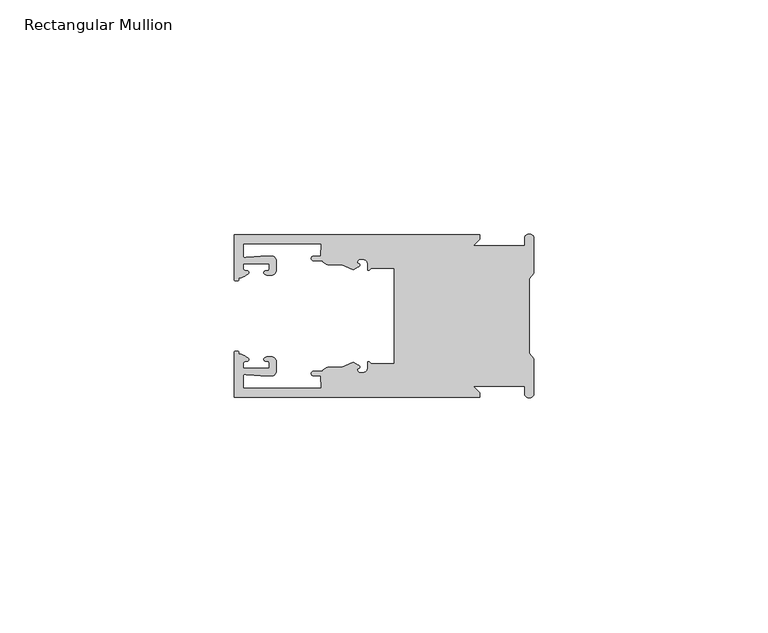
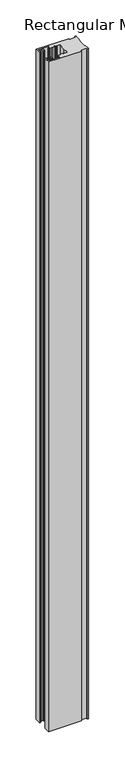
"""IFC4 building model written with IfcOpenShell, lengths in millimetres: member geometry, Rectangular Mullion."""

from ifc_helpers import new_model, si_unit, frame, origin, place, context, project, spatial, polyline, circle_curve, source, transform, mapped, element, save
from ifc_brep_helpers import plane_surface, cylinder_surface, revolved_surface, extruded_surface, spline_curve, advanced_brep


def rectangular_mullion_fe0c705e(model_context):
    return source(origin(), model_context, "Body", "AdvancedBrep", [
        advanced_brep(
        [(-11.5387897, 17.4000478, 0.0), (-64.0387868, 17.4000478, 0.0), (-64.0387868, 7.8350057, 0.0), (-63.2884687, 7.5412947, 0.0), (-62.4614154, 8.1921895, 0.0), (-62.0410649, 9.9426451, 0.0), (-62.0424168, 11.1926444, 0.0), (-56.54242, 11.1985924, 0.0), (-56.5410682, 9.9485931, 0.0), (-57.1085345, 8.7314723, 0.0), (-56.0397166, 8.6991345, 0.0), (-55.0407987, 9.7002154, 0.0), (-55.0430697, 11.8002142, 0.0), (-56.0446364, 12.7991315, 0.0), (-58.3650753, 12.7954945, 0.0), (-61.1340054, 12.5502269, 0.0), (-62.044093, 12.7426435, 0.0), (-62.0469668, 15.4000478, 0.0), (-45.4240312, 15.4000478, 0.0), (-45.5732135, 12.8000478, 0.0), (-47.0387868, 12.8000478, 0.0), (-47.0387868, 11.8000478, 0.0), (-45.2543363, 11.8000478, 0.0), (-43.6387868, 10.9000478, 0.0), (-41.0454034, 10.9000478, 0.0), (-38.5697136, 9.8718293, 0.0), (-37.5387868, 10.4670351, 0.0), (-37.6803436, 11.4201497, 0.0), (-37.0270763, 12.1583697, 0.0), (-36.2010815, 12.0127245, 0.0), (-35.54, 11.2248783, 0.0), (-35.54, 10.0, 0.0), (-34.7705791, 10.25, 0.0), (-29.79, 10.25, 0.0), (-29.79, 0.0, 0.0), (-29.79, -10.25, 0.0), (-34.7705791, -10.25, 0.0), (-35.54, -10.0, 0.0), (-35.54, -11.2248783, 0.0), (-36.2010815, -12.0127245, 0.0), (-37.0270763, -12.1583697, 0.0), (-37.6803436, -11.4201497, 0.0), (-37.5387868, -10.4670351, 0.0), (-38.5697136, -9.8718293, 0.0), (-41.0454034, -10.9000478, 0.0), (-43.6387868, -10.9000478, 0.0), (-45.2543363, -11.8000478, 0.0), (-47.0387868, -11.8000478, 0.0), (-47.0387868, -12.8000478, 0.0), (-45.5732135, -12.8000478, 0.0), (-45.4240312, -15.4000478, 0.0), (-62.0469668, -15.4000478, 0.0), (-62.044093, -12.7426435, 0.0), (-61.1340054, -12.5502269, 0.0), (-58.3650753, -12.7954945, 0.0), (-56.0446364, -12.7991314, 0.0), (-55.0430697, -11.8002142, 0.0), (-55.0407987, -9.7002154, 0.0), (-56.0397166, -8.6991345, 0.0), (-57.1085345, -8.7314723, 0.0), (-56.5410682, -9.9485931, 0.0), (-56.54242, -11.1985924, 0.0), (-62.0424168, -11.1926444, 0.0), (-62.0410649, -9.9426451, 0.0), (-62.4614154, -8.1921895, 0.0), (-63.2884687, -7.5412947, 0.0), (-64.0387868, -7.8350057, 0.0), (-64.0387868, -17.4000478, 0.0), (-11.5387897, -17.4000478, 0.0), (-11.5387897, -16.4000449, 0.0), (-12.9388346, -15.0, 0.0), (-2.0, -15.0, 0.0), (-2.0, -16.5, 0.0), (0.0, -16.5, 0.0), (0.0, -9.1160254, 0.0), (-1.0, -7.9613249, 0.0), (-1.0, 0.0, 0.0), (-1.0, 7.9613249, 0.0), (0.0, 9.1160254, 0.0), (0.0, 16.5, 0.0), (-2.0, 16.5, 0.0), (-2.0, 15.0, 0.0), (-12.9388346, 15.0, 0.0), (-11.5387897, 16.4000449, 0.0), (-11.5387897, 17.4000478, -1130.8387868), (-11.5387897, 16.4000449, -1130.8387868), (-12.9388346, 15.0, -1130.8387868), (-2.0, 15.0, -1130.8387868), (-2.0, 16.5, -1130.8387868), (0.0, 16.5, -1130.8387868), (0.0, 9.1160254, -1130.8387868), (-1.0, 7.9613249, -1130.8387868), (-1.0, 0.0, -1130.8387868), (-1.0, -7.9613249, -1130.8387868), (0.0, -9.1160254, -1130.8387868), (0.0, -16.5, -1130.8387868), (-2.0, -16.5, -1130.8387868), (-2.0, -15.0, -1130.8387868), (-12.9388346, -15.0, -1130.8387868), (-11.5387897, -16.4000449, -1130.8387868), (-11.5387897, -17.4000478, -1130.8387868), (-64.0387868, -17.4000478, -1130.8387868), (-64.0387868, -7.8350057, -1130.8387868), (-63.2884687, -7.5412947, -1130.8387868), (-62.4614154, -8.1921895, -1130.8387868), (-62.0410649, -9.9426451, -1130.8387868), (-62.0424168, -11.1926444, -1130.8387868), (-56.54242, -11.1985924, -1130.8387868), (-56.5410682, -9.9485931, -1130.8387868), (-57.1085345, -8.7314723, -1130.8387868), (-56.0397166, -8.6991345, -1130.8387868), (-55.0407987, -9.7002154, -1130.8387868), (-55.0430697, -11.8002142, -1130.8387868), (-56.0446364, -12.7991315, -1130.8387868), (-58.3650753, -12.7954945, -1130.8387868), (-61.1340054, -12.5502269, -1130.8387868), (-62.044093, -12.7426435, -1130.8387868), (-62.0469668, -15.4000478, -1130.8387868), (-45.4240312, -15.4000478, -1130.8387868), (-45.5732135, -12.8000478, -1130.8387868), (-47.0387868, -12.8000478, -1130.8387868), (-47.0387868, -11.8000478, -1130.8387868), (-45.2543363, -11.8000478, -1130.8387868), (-43.6387868, -10.9000478, -1130.8387868), (-41.0454034, -10.9000478, -1130.8387868), (-38.5697136, -9.8718293, -1130.8387868), (-37.5387868, -10.4670351, -1130.8387868), (-37.6803436, -11.4201497, -1130.8387868), (-37.0270763, -12.1583697, -1130.8387868), (-36.2010815, -12.0127245, -1130.8387868), (-35.54, -11.2248783, -1130.8387868), (-35.54, -10.0, -1130.8387868), (-34.7705791, -10.25, -1130.8387868), (-29.79, -10.25, -1130.8387868), (-29.79, 0.0, -1130.8387868), (-29.79, 10.25, -1130.8387868), (-34.7705791, 10.25, -1130.8387868), (-35.54, 10.0, -1130.8387868), (-35.54, 11.2248783, -1130.8387868), (-36.2010815, 12.0127245, -1130.8387868), (-37.0270763, 12.1583697, -1130.8387868), (-37.6803436, 11.4201497, -1130.8387868), (-37.5387868, 10.4670351, -1130.8387868), (-38.5697136, 9.8718293, -1130.8387868), (-41.0454034, 10.9000478, -1130.8387868), (-43.6387868, 10.9000478, -1130.8387868), (-45.2543363, 11.8000478, -1130.8387868), (-47.0387868, 11.8000478, -1130.8387868), (-47.0387868, 12.8000478, -1130.8387868), (-45.5732135, 12.8000478, -1130.8387868), (-45.4240312, 15.4000478, -1130.8387868), (-62.0469668, 15.4000478, -1130.8387868), (-62.044093, 12.7426435, -1130.8387868), (-61.1340054, 12.5502269, -1130.8387868), (-58.3650753, 12.7954945, -1130.8387868), (-56.0446364, 12.7991314, -1130.8387868), (-55.0430697, 11.8002142, -1130.8387868), (-55.0407987, 9.7002154, -1130.8387868), (-56.0397166, 8.6991345, -1130.8387868), (-57.1085345, 8.7314723, -1130.8387868), (-56.5410682, 9.9485931, -1130.8387868), (-56.54242, 11.1985924, -1130.8387868), (-62.0424168, 11.1926444, -1130.8387868), (-62.0410649, 9.9426451, -1130.8387868), (-62.4614154, 8.1921895, -1130.8387868), (-63.2884687, 7.5412947, -1130.8387868), (-64.0387868, 7.8350057, -1130.8387868), (-64.0387868, 17.4000478, -1130.8387868)],
        [
            (0, 1),
            (1, 2),
            (2, 3, spline_curve(3, [(-64.0387868, 7.8350057, 0.0), (-64.038491377, 7.561831774, 0.0), (-63.788385325, 7.463928087, 0.0), (-63.2884687, 7.5412947, 0.0)], [4, 4], [0.0, 0.0019169337574178654])),
            (3, 4, spline_curve(3, [(-63.2884687, 7.5412947, 0.0), (-63.057760917, 7.582232011, 0.0), (-63.018445067, 7.725390894, 0.0), (-63.019925494, 8.056436881, 0.0), (-63.103444208, 8.236386866, 0.0), (-62.4614154, 8.1921895, 0.0)], [4, 2, 4], [0.0, 0.0010199524164107188, 0.0024874514725970356])),
            (4, 5, spline_curve(3, [(-62.4614154, 8.1921895, 0.0), (-60.988497673, 8.880962536, 0.0), (-60.794045122, 9.192776957, 0.0), (-60.949808078, 9.57023562, 0.0), (-61.145214014, 9.682771697, 0.0), (-61.665835706, 9.714019003, 0.0), (-61.965242574, 9.660891484, 0.0), (-62.0410649, 9.9426451, 0.0)], [4, 2, 2, 4], [0.0, 0.003269869179570428, 0.005490050486237203, 0.0073545767114364426])),
            (5, 6),
            (6, 7),
            (7, 8),
            (8, 9, spline_curve(3, [(-56.5410682, 9.9485931, 0.0), (-56.634838635, 9.597117104, 0.0), (-56.904956774, 9.698238818, 0.0), (-57.324171444, 9.731086209, 0.0), (-57.45969165, 9.646199885, 0.0), (-57.729003352, 9.346016011, 0.0), (-57.859492582, 9.113082158, 0.0), (-57.1085345, 8.7314723, 0.0)], [4, 2, 2, 4], [0.0, 0.001593963049934732, 0.0033360256320283306, 0.005339140673503943])),
            (9, 10),
            (10, 11, circle_curve(frame((-56.0407981, 9.699134, 0.0), z_axis=(0.0, 0.0, 1.0), x_axis=(0.0010814451158627505, -0.9999994152380598, 0.0)), 1.0)),
            (11, 12),
            (12, 13, circle_curve(frame((-56.0430691, 11.7991327, 0.0), z_axis=(0.0, 0.0, 1.0), x_axis=(0.0010814451158627505, -0.9999994152380598, 0.0)), 1.0)),
            (13, 14),
            (14, 15),
            (15, 16, spline_curve(3, [(-61.1340054, 12.5502269, 0.0), (-61.605485428, 12.508463911, 0.0), (-61.992111419, 12.303164326, 0.0), (-62.044093, 12.7426435, 0.0)], [4, 4], [0.0, 0.0014803385355886016])),
            (16, 17),
            (17, 18),
            (18, 19),
            (19, 20),
            (20, 21, circle_curve(frame((-47.0387868, 12.3000478, 0.0), z_axis=(0.0, 0.0, 1.0), x_axis=(0.0, -1.0, 0.0)), 0.5)),
            (21, 22),
            (22, 23, circle_curve(frame((-43.6387868, 12.8000478, 0.0), z_axis=(0.0, 0.0, 1.0), x_axis=(0.0, -1.0, 0.0)), 1.9)),
            (23, 24),
            (24, 25),
            (25, 26),
            (26, 27, spline_curve(3, [(-37.5387868, 10.4670351, 0.0), (-36.973919853, 10.833863985, 0.0), (-37.198159645, 11.135696286, 0.0), (-37.587892011, 11.260246073, 0.0), (-37.754584192, 11.180452419, 0.0), (-37.6803436, 11.4201497, 0.0)], [4, 2, 4], [0.0, 0.0019283703160353726, 0.003394584635652914])),
            (27, 28, circle_curve(frame((-37.0434863, 11.5147359, 0.0), z_axis=(0.0, 0.0, -1.0), x_axis=(0.0, -1.0, 0.0)), 0.643843)),
            (28, 29),
            (29, 30, circle_curve(frame((-36.34, 11.2248783, 0.0), z_axis=(0.0, 0.0, -1.0), x_axis=(0.0, -1.0, 0.0)), 0.8)),
            (30, 31),
            (31, 32, spline_curve(3, [(-35.54, 10.0, 0.0), (-35.440000238, 9.598293201, 0.0), (-35.183526594, 9.681626535, 0.0), (-34.7705791, 10.25, 0.0)], [4, 4], [0.0, 0.0027473296990141553])),
            (32, 33),
            (33, 34),
            (34, 35),
            (35, 36),
            (36, 37, spline_curve(3, [(-34.7705791, -10.25, 0.0), (-35.183526594, -9.681626535, 0.0), (-35.440000238, -9.598293201, 0.0), (-35.54, -10.0, 0.0)], [4, 4], [0.0, 0.0027473296990141553])),
            (37, 38),
            (38, 39, circle_curve(frame((-36.34, -11.2248783, 0.0), z_axis=(0.0, 0.0, -1.0), x_axis=(0.0, 1.0, 0.0)), 0.8)),
            (39, 40),
            (40, 41, circle_curve(frame((-37.0434863, -11.5147359, 0.0), z_axis=(0.0, 0.0, -1.0), x_axis=(0.0, 1.0, 0.0)), 0.643843)),
            (41, 42, spline_curve(3, [(-37.6803436, -11.4201497, 0.0), (-37.754584192, -11.180452419, 0.0), (-37.587892011, -11.260246073, 0.0), (-37.198159645, -11.135696286, 0.0), (-36.973919853, -10.833863985, 0.0), (-37.5387868, -10.4670351, 0.0)], [4, 2, 4], [0.0, 0.0014662143196175414, 0.003394584635652914])),
            (42, 43),
            (43, 44),
            (44, 45),
            (45, 46, circle_curve(frame((-43.6387868, -12.8000478, 0.0), z_axis=(0.0, 0.0, 1.0), x_axis=(0.0, 1.0, 0.0)), 1.9)),
            (46, 47),
            (47, 48, circle_curve(frame((-47.0387868, -12.3000478, 0.0), z_axis=(0.0, 0.0, 1.0), x_axis=(0.0, 1.0, 0.0)), 0.5)),
            (48, 49),
            (49, 50),
            (50, 51),
            (51, 52),
            (52, 53, spline_curve(3, [(-62.044093, -12.7426435, 0.0), (-61.992111419, -12.303164326, 0.0), (-61.605485428, -12.508463911, 0.0), (-61.1340054, -12.5502269, 0.0)], [4, 4], [0.0, 0.0014803385355886016])),
            (53, 54),
            (54, 55),
            (55, 56, circle_curve(frame((-56.0430691, -11.7991327, 0.0), z_axis=(0.0, 0.0, 1.0), x_axis=(0.001081445115855867, 0.9999994152380598, 0.0)), 1.0)),
            (56, 57),
            (57, 58, circle_curve(frame((-56.0407981, -9.699134, 0.0), z_axis=(0.0, 0.0, 1.0), x_axis=(0.001081445115855867, 0.9999994152380598, 0.0)), 1.0)),
            (58, 59),
            (59, 60, spline_curve(3, [(-57.1085345, -8.7314723, 0.0), (-57.859492582, -9.113082158, 0.0), (-57.729003352, -9.346016011, 0.0), (-57.45969165, -9.646199885, 0.0), (-57.324171444, -9.731086209, 0.0), (-56.904956774, -9.698238818, 0.0), (-56.634838635, -9.597117104, 0.0), (-56.5410682, -9.9485931, 0.0)], [4, 2, 2, 4], [0.0, 0.002003115041475612, 0.0037451776235692107, 0.005339140673503943])),
            (60, 61),
            (61, 62),
            (62, 63),
            (63, 64, spline_curve(3, [(-62.0410649, -9.9426451, 0.0), (-61.965242574, -9.660891484, 0.0), (-61.665835706, -9.714019003, 0.0), (-61.145214014, -9.682771697, 0.0), (-60.949808078, -9.57023562, 0.0), (-60.794045122, -9.192776957, 0.0), (-60.988497673, -8.880962536, 0.0), (-62.4614154, -8.1921895, 0.0)], [4, 2, 2, 4], [0.0, 0.0018645262251992395, 0.004084707531866015, 0.0073545767114364426])),
            (64, 65, spline_curve(3, [(-62.4614154, -8.1921895, 0.0), (-63.103444208, -8.236386866, 0.0), (-63.019925494, -8.056436881, 0.0), (-63.018445067, -7.725390894, 0.0), (-63.057760917, -7.582232011, 0.0), (-63.2884687, -7.5412947, 0.0)], [4, 2, 4], [0.0, 0.0014674990561863168, 0.0024874514725970356])),
            (65, 66, spline_curve(3, [(-63.2884687, -7.5412947, 0.0), (-63.788385325, -7.463928087, 0.0), (-64.038491377, -7.561831774, 0.0), (-64.0387868, -7.8350057, 0.0)], [4, 4], [0.0, 0.0019169337574178654])),
            (66, 67),
            (67, 68),
            (68, 69),
            (69, 70),
            (70, 71),
            (71, 72),
            (72, 73, circle_curve(frame((-1.0, -16.5, 0.0), z_axis=(0.0, 0.0, 1.0), x_axis=(0.0, 1.0, 0.0)), 1.0)),
            (73, 74),
            (74, 75),
            (75, 76),
            (76, 77),
            (77, 78),
            (78, 79),
            (79, 80, circle_curve(frame((-1.0, 16.5, 0.0), z_axis=(0.0, 0.0, 1.0), x_axis=(0.0, -1.0, 0.0)), 1.0)),
            (80, 81),
            (81, 82),
            (82, 83),
            (83, 0),
            (84, 85),
            (85, 86),
            (86, 87),
            (87, 88),
            (88, 89, circle_curve(frame((-1.0, 16.5, -1130.8387868), z_axis=(0.0, 0.0, -1.0), x_axis=(0.0, -1.0, 0.0)), 1.0)),
            (89, 90),
            (90, 91),
            (91, 92),
            (92, 93),
            (93, 94),
            (94, 95),
            (95, 96, circle_curve(frame((-1.0, -16.5, -1130.8387868), z_axis=(0.0, 0.0, -1.0), x_axis=(0.0, 1.0, 0.0)), 1.0)),
            (96, 97),
            (97, 98),
            (98, 99),
            (99, 100),
            (100, 101),
            (101, 102),
            (102, 103, spline_curve(3, [(-64.0387868, -7.8350057, -1130.8387868), (-64.038491377, -7.561831774, -1130.8387868), (-63.788385325, -7.463928087, -1130.8387868), (-63.2884687, -7.5412947, -1130.8387868)], [4, 4], [0.0, 0.0019169337574178654])),
            (103, 104, spline_curve(3, [(-63.2884687, -7.5412947, -1130.8387868), (-63.057760917, -7.582232011, -1130.8387868), (-63.018445067, -7.725390894, -1130.8387868), (-63.019925494, -8.056436881, -1130.8387868), (-63.103444208, -8.236386866, -1130.8387868), (-62.4614154, -8.1921895, -1130.8387868)], [4, 2, 4], [0.0, 0.0010199524164107188, 0.0024874514725970356])),
            (104, 105, spline_curve(3, [(-62.4614154, -8.1921895, -1130.8387868), (-60.988497673, -8.880962536, -1130.8387868), (-60.794045122, -9.192776957, -1130.8387868), (-60.949808078, -9.57023562, -1130.8387868), (-61.145214014, -9.682771697, -1130.8387868), (-61.665835706, -9.714019003, -1130.8387868), (-61.965242574, -9.660891484, -1130.8387868), (-62.0410649, -9.9426451, -1130.8387868)], [4, 2, 2, 4], [0.0, 0.003269869179570428, 0.005490050486237203, 0.0073545767114364426])),
            (105, 106),
            (106, 107),
            (107, 108),
            (108, 109, spline_curve(3, [(-56.5410682, -9.9485931, -1130.8387868), (-56.634838635, -9.597117104, -1130.8387868), (-56.904956774, -9.698238818, -1130.8387868), (-57.324171444, -9.731086209, -1130.8387868), (-57.45969165, -9.646199885, -1130.8387868), (-57.729003352, -9.346016011, -1130.8387868), (-57.859492582, -9.113082158, -1130.8387868), (-57.1085345, -8.7314723, -1130.8387868)], [4, 2, 2, 4], [0.0, 0.001593963049934732, 0.0033360256320283306, 0.005339140673503943])),
            (109, 110),
            (110, 111, circle_curve(frame((-56.0407981, -9.699134, -1130.8387868), z_axis=(0.0, 0.0, -1.0), x_axis=(0.001081445115855867, 0.9999994152380598, 0.0)), 1.0)),
            (111, 112),
            (112, 113, circle_curve(frame((-56.0430691, -11.7991327, -1130.8387868), z_axis=(0.0, 0.0, -1.0), x_axis=(0.001081445115855867, 0.9999994152380598, 0.0)), 1.0)),
            (113, 114),
            (114, 115),
            (115, 116, spline_curve(3, [(-61.1340054, -12.5502269, -1130.8387868), (-61.605485428, -12.508463911, -1130.8387868), (-61.992111419, -12.303164326, -1130.8387868), (-62.044093, -12.7426435, -1130.8387868)], [4, 4], [0.0, 0.0014803385355886016])),
            (116, 117),
            (117, 118),
            (118, 119),
            (119, 120),
            (120, 121, circle_curve(frame((-47.0387868, -12.3000478, -1130.8387868), z_axis=(0.0, 0.0, -1.0), x_axis=(0.0, 1.0, 0.0)), 0.5)),
            (121, 122),
            (122, 123, circle_curve(frame((-43.6387868, -12.8000478, -1130.8387868), z_axis=(0.0, 0.0, -1.0), x_axis=(0.0, 1.0, 0.0)), 1.9)),
            (123, 124),
            (124, 125),
            (125, 126),
            (126, 127, spline_curve(3, [(-37.5387868, -10.4670351, -1130.8387868), (-36.973919853, -10.833863985, -1130.8387868), (-37.198159645, -11.135696286, -1130.8387868), (-37.587892011, -11.260246073, -1130.8387868), (-37.754584192, -11.180452419, -1130.8387868), (-37.6803436, -11.4201497, -1130.8387868)], [4, 2, 4], [0.0, 0.0019283703160353726, 0.003394584635652914])),
            (127, 128, circle_curve(frame((-37.0434863, -11.5147359, -1130.8387868), z_axis=(0.0, 0.0, 1.0), x_axis=(0.0, 1.0, 0.0)), 0.643843)),
            (128, 129),
            (129, 130, circle_curve(frame((-36.34, -11.2248783, -1130.8387868), z_axis=(0.0, 0.0, 1.0), x_axis=(0.0, 1.0, 0.0)), 0.8)),
            (130, 131),
            (131, 132, spline_curve(3, [(-35.54, -10.0, -1130.8387868), (-35.440000238, -9.598293201, -1130.8387868), (-35.183526594, -9.681626535, -1130.8387868), (-34.7705791, -10.25, -1130.8387868)], [4, 4], [0.0, 0.0027473296990141553])),
            (132, 133),
            (133, 134),
            (134, 135),
            (135, 136),
            (136, 137, spline_curve(3, [(-34.7705791, 10.25, -1130.8387868), (-35.183526594, 9.681626535, -1130.8387868), (-35.440000238, 9.598293201, -1130.8387868), (-35.54, 10.0, -1130.8387868)], [4, 4], [0.0, 0.0027473296990141553])),
            (137, 138),
            (138, 139, circle_curve(frame((-36.34, 11.2248783, -1130.8387868), z_axis=(0.0, 0.0, 1.0), x_axis=(0.0, -1.0, 0.0)), 0.8)),
            (139, 140),
            (140, 141, circle_curve(frame((-37.0434863, 11.5147359, -1130.8387868), z_axis=(0.0, 0.0, 1.0), x_axis=(0.0, -1.0, 0.0)), 0.643843)),
            (141, 142, spline_curve(3, [(-37.6803436, 11.4201497, -1130.8387868), (-37.754584192, 11.180452419, -1130.8387868), (-37.587892011, 11.260246073, -1130.8387868), (-37.198159645, 11.135696286, -1130.8387868), (-36.973919853, 10.833863985, -1130.8387868), (-37.5387868, 10.4670351, -1130.8387868)], [4, 2, 4], [0.0, 0.0014662143196175414, 0.003394584635652914])),
            (142, 143),
            (143, 144),
            (144, 145),
            (145, 146, circle_curve(frame((-43.6387868, 12.8000478, -1130.8387868), z_axis=(0.0, 0.0, -1.0), x_axis=(0.0, -1.0, 0.0)), 1.9)),
            (146, 147),
            (147, 148, circle_curve(frame((-47.0387868, 12.3000478, -1130.8387868), z_axis=(0.0, 0.0, -1.0), x_axis=(0.0, -1.0, 0.0)), 0.5)),
            (148, 149),
            (149, 150),
            (150, 151),
            (151, 152),
            (152, 153, spline_curve(3, [(-62.044093, 12.7426435, -1130.8387868), (-61.992111419, 12.303164326, -1130.8387868), (-61.605485428, 12.508463911, -1130.8387868), (-61.1340054, 12.5502269, -1130.8387868)], [4, 4], [0.0, 0.0014803385355886016])),
            (153, 154),
            (154, 155),
            (155, 156, circle_curve(frame((-56.0430691, 11.7991327, -1130.8387868), z_axis=(0.0, 0.0, -1.0), x_axis=(0.0010814451158627505, -0.9999994152380598, 0.0)), 1.0)),
            (156, 157),
            (157, 158, circle_curve(frame((-56.0407981, 9.699134, -1130.8387868), z_axis=(0.0, 0.0, -1.0), x_axis=(0.0010814451158627505, -0.9999994152380598, 0.0)), 1.0)),
            (158, 159),
            (159, 160, spline_curve(3, [(-57.1085345, 8.7314723, -1130.8387868), (-57.859492582, 9.113082158, -1130.8387868), (-57.729003352, 9.346016011, -1130.8387868), (-57.45969165, 9.646199885, -1130.8387868), (-57.324171444, 9.731086209, -1130.8387868), (-56.904956774, 9.698238818, -1130.8387868), (-56.634838635, 9.597117104, -1130.8387868), (-56.5410682, 9.9485931, -1130.8387868)], [4, 2, 2, 4], [0.0, 0.002003115041475612, 0.0037451776235692107, 0.005339140673503943])),
            (160, 161),
            (161, 162),
            (162, 163),
            (163, 164, spline_curve(3, [(-62.0410649, 9.9426451, -1130.8387868), (-61.965242574, 9.660891484, -1130.8387868), (-61.665835706, 9.714019003, -1130.8387868), (-61.145214014, 9.682771697, -1130.8387868), (-60.949808078, 9.57023562, -1130.8387868), (-60.794045122, 9.192776957, -1130.8387868), (-60.988497673, 8.880962536, -1130.8387868), (-62.4614154, 8.1921895, -1130.8387868)], [4, 2, 2, 4], [0.0, 0.0018645262251992395, 0.004084707531866015, 0.0073545767114364426])),
            (164, 165, spline_curve(3, [(-62.4614154, 8.1921895, -1130.8387868), (-63.103444208, 8.236386866, -1130.8387868), (-63.019925494, 8.056436881, -1130.8387868), (-63.018445067, 7.725390894, -1130.8387868), (-63.057760917, 7.582232011, -1130.8387868), (-63.2884687, 7.5412947, -1130.8387868)], [4, 2, 4], [0.0, 0.0014674990561863168, 0.0024874514725970356])),
            (165, 166, spline_curve(3, [(-63.2884687, 7.5412947, -1130.8387868), (-63.788385325, 7.463928087, -1130.8387868), (-64.038491377, 7.561831774, -1130.8387868), (-64.0387868, 7.8350057, -1130.8387868)], [4, 4], [0.0, 0.0019169337574178654])),
            (166, 167),
            (167, 84),
            (0, 84),
            (167, 1),
            (166, 2),
            (165, 3),
            (164, 4),
            (163, 5),
            (162, 6),
            (161, 7),
            (160, 8),
            (159, 9),
            (158, 10),
            (157, 11),
            (156, 12),
            (155, 13),
            (154, 14),
            (153, 15),
            (152, 16),
            (151, 17),
            (150, 18),
            (149, 19),
            (148, 20),
            (147, 21),
            (146, 22),
            (145, 23),
            (144, 24),
            (143, 25),
            (142, 26),
            (141, 27),
            (140, 28),
            (139, 29),
            (138, 30),
            (137, 31),
            (136, 32),
            (135, 33),
            (134, 34),
            (133, 35),
            (132, 36),
            (131, 37),
            (130, 38),
            (129, 39),
            (128, 40),
            (127, 41),
            (126, 42),
            (125, 43),
            (124, 44),
            (123, 45),
            (122, 46),
            (121, 47),
            (120, 48),
            (119, 49),
            (118, 50),
            (117, 51),
            (116, 52),
            (115, 53),
            (114, 54),
            (113, 55),
            (112, 56),
            (111, 57),
            (110, 58),
            (109, 59),
            (108, 60),
            (107, 61),
            (106, 62),
            (105, 63),
            (104, 64),
            (103, 65),
            (102, 66),
            (101, 67),
            (100, 68),
            (99, 69),
            (98, 70),
            (97, 71),
            (96, 72),
            (95, 73),
            (94, 74),
            (93, 75),
            (92, 76),
            (91, 77),
            (90, 78),
            (89, 79),
            (88, 80),
            (87, 81),
            (86, 82),
            (85, 83),
        ],
        [
            plane_surface(frame((0.0, -66.3605898, 0.0), z_axis=(0.0, 0.0, 1.0), x_axis=(-1.0, 0.0, 0.0))),
            plane_surface(frame((0.0, -66.3605898, -1130.8387868), z_axis=(0.0, 0.0, -1.0), x_axis=(-1.0, 0.0, 0.0))),
            plane_surface(frame((-11.5387897, 17.4000478, 0.0), z_axis=(0.0, 1.0, 0.0), x_axis=(0.0, 0.0, -1.0))),
            plane_surface(frame((-64.0387868, 17.4000478, 0.0), z_axis=(-1.0, 0.0, 0.0), x_axis=(0.0, 0.0, -1.0))),
            extruded_surface(spline_curve(3, [(-64.0387868, 7.8350057, -1130.8387868), (-64.038491377, 7.561831774, -1130.8387868), (-63.788385325, 7.463928087, -1130.8387868), (-63.2884687, 7.5412947, -1130.8387868)], [4, 4], [0.0, 0.0019169337574178654]), (0.0, 0.0, 1130.8387868), 1130.8387868),
            extruded_surface(spline_curve(3, [(-63.2884687, 7.5412947, -1130.8387868), (-63.057760917, 7.582232011, -1130.8387868), (-63.018445067, 7.725390894, -1130.8387868), (-63.019925494, 8.056436881, -1130.8387868), (-63.103444208, 8.236386866, -1130.8387868), (-62.4614154, 8.1921895, -1130.8387868)], [4, 2, 4], [0.0, 0.0010199524164107188, 0.0024874514725970356]), (0.0, 0.0, 1130.8387868), 1130.8387868),
            extruded_surface(spline_curve(3, [(-62.4614154, 8.1921895, -1130.8387868), (-60.988497673, 8.880962536, -1130.8387868), (-60.794045122, 9.192776957, -1130.8387868), (-60.949808078, 9.57023562, -1130.8387868), (-61.145214014, 9.682771697, -1130.8387868), (-61.665835706, 9.714019003, -1130.8387868), (-61.965242574, 9.660891484, -1130.8387868), (-62.0410649, 9.9426451, -1130.8387868)], [4, 2, 2, 4], [0.0, 0.003269869179570428, 0.005490050486237203, 0.0073545767114364426]), (0.0, 0.0, 1130.8387868), 1130.8387868),
            plane_surface(frame((-62.0410649, 9.9426451, 0.0), z_axis=(0.9999994152380598, 0.0010814451158593665, 0.0), x_axis=(0.0, 0.0, -1.0))),
            plane_surface(frame((-62.0424168, 11.1926444, 0.0), z_axis=(0.0010814451158611391, -0.9999994152380598, 0.0), x_axis=(0.0, 0.0, -1.0))),
            plane_surface(frame((-56.54242, 11.1985924, 0.0), z_axis=(-0.9999994152380598, -0.0010814451158584516, 0.0), x_axis=(0.0, 0.0, -1.0))),
            extruded_surface(spline_curve(3, [(-56.5410682, 9.9485931, -1130.8387868), (-56.634838635, 9.597117104, -1130.8387868), (-56.904956774, 9.698238818, -1130.8387868), (-57.324171444, 9.731086209, -1130.8387868), (-57.45969165, 9.646199885, -1130.8387868), (-57.729003352, 9.346016011, -1130.8387868), (-57.859492582, 9.113082158, -1130.8387868), (-57.1085345, 8.7314723, -1130.8387868)], [4, 2, 2, 4], [0.0, 0.001593963049934732, 0.0033360256320283306, 0.005339140673503943]), (0.0, 0.0, 1130.8387868), 1130.8387868),
            plane_surface(frame((-57.1085345, 8.7314723, 0.0), z_axis=(-0.030241832452869922, -0.9995426111826813, 0.0), x_axis=(0.0, 0.0, -1.0))),
            cylinder_surface(frame((-56.0407981, 9.699134, 0.0), z_axis=(0.0, 0.0, 1.0000000000000002), x_axis=(0.0010814451158627505, -0.9999994152380598, 0.0)), 1.0),
            plane_surface(frame((-55.0407987, 9.7002154, 0.0), z_axis=(0.9999994152380598, 0.001081445115858722, 0.0), x_axis=(0.0, 0.0, -1.0))),
            cylinder_surface(frame((-56.0430691, 11.7991327, 0.0), z_axis=(0.0, 0.0, 1.0000000000000002), x_axis=(0.0010814451158627505, -0.9999994152380598, 0.0)), 1.0),
            plane_surface(frame((-56.0446364, 12.7991314, 0.0), z_axis=(-0.0015673183327907744, 0.9999987717558677, 0.0), x_axis=(0.0, 0.0, -1.0))),
            plane_surface(frame((-58.3650753, 12.7954945, 0.0), z_axis=(-0.08823302167299531, 0.9960998614026874, 0.0), x_axis=(0.0, 0.0, -1.0))),
            extruded_surface(spline_curve(3, [(-61.1340054, 12.5502269, -1130.8387868), (-61.605485428, 12.508463911, -1130.8387868), (-61.992111419, 12.303164326, -1130.8387868), (-62.044093, 12.7426435, -1130.8387868)], [4, 4], [0.0, 0.0014803385355886016]), (0.0, 0.0, 1130.8387868), 1130.8387868),
            plane_surface(frame((-62.044093, 12.7426435, 0.0), z_axis=(0.9999994152380598, 0.0010814451158597813, 0.0), x_axis=(0.0, 0.0, -1.0))),
            plane_surface(frame((-62.0469668, 15.4000478, 0.0), z_axis=(0.0, -1.0, 0.0), x_axis=(0.0, 0.0, -1.0))),
            plane_surface(frame((-45.4240312, 15.4000478, 0.0), z_axis=(-0.9983579461523547, 0.05728360458675776, 0.0), x_axis=(0.0, 0.0, -1.0))),
            plane_surface(frame((-45.5732135, 12.8000478, 0.0), z_axis=(0.0, 1.0, 0.0), x_axis=(0.0, 0.0, -1.0))),
            cylinder_surface(frame((-47.0387868, 12.3000478, 0.0), z_axis=(0.0, 0.0, 1.0), x_axis=(0.0, -1.0, 0.0)), 0.5),
            plane_surface(frame((-47.0387868, 11.8000478, 0.0), z_axis=(0.0, -1.0, 0.0), x_axis=(0.0, 0.0, -1.0))),
            cylinder_surface(frame((-43.6387868, 12.8000478, 0.0), z_axis=(0.0, 0.0, 1.0), x_axis=(0.0, -1.0, 0.0)), 1.9),
            plane_surface(frame((-43.6387868, 10.9000478, 0.0), z_axis=(0.0, -1.0, 0.0), x_axis=(0.0, 0.0, -1.0))),
            plane_surface(frame((-41.0454034, 10.9000478, 0.0), z_axis=(-0.3835602140750569, -0.9235158700199453, 0.0), x_axis=(0.0, 0.0, -1.0))),
            plane_surface(frame((-38.5697136, 9.8718293, 0.0), z_axis=(0.5000000000252295, -0.8660254037698725, 0.0), x_axis=(0.0, 0.0, -1.0))),
            extruded_surface(spline_curve(3, [(-37.5387868, 10.4670351, -1130.8387868), (-36.973919853, 10.833863985, -1130.8387868), (-37.198159645, 11.135696286, -1130.8387868), (-37.587892011, 11.260246073, -1130.8387868), (-37.754584192, 11.180452419, -1130.8387868), (-37.6803436, 11.4201497, -1130.8387868)], [4, 2, 4], [0.0, 0.0019283703160353726, 0.003394584635652914]), (0.0, 0.0, 1130.8387868), 1130.8387868),
            revolved_surface(polyline([(-37.0434863, 10.8708929, -1130.8387868), (-37.0434863, 10.8708929, 0.0)]), (-37.0434863, 11.5147359, 0.0), (0.0, 0.0, -1.0)),
            plane_surface(frame((-37.0270763, 12.1583697, 0.0), z_axis=(-0.17364817767050408, -0.984807753011578, 0.0), x_axis=(0.0, 0.0, -1.0))),
            revolved_surface(polyline([(-36.34, 10.4248783, -1130.8387868), (-36.34, 10.4248783, 0.0)]), (-36.34, 11.2248783, 0.0), (0.0, 0.0, -1.0)),
            plane_surface(frame((-35.54, 11.2248783, 0.0), z_axis=(-1.0, 0.0, 0.0), x_axis=(0.0, 0.0, -1.0))),
            extruded_surface(spline_curve(3, [(-35.54, 10.0, -1130.8387868), (-35.440000238, 9.598293201, -1130.8387868), (-35.183526594, 9.681626535, -1130.8387868), (-34.7705791, 10.25, -1130.8387868)], [4, 4], [0.0, 0.0027473296990141553]), (0.0, 0.0, 1130.8387868), 1130.8387868),
            plane_surface(frame((-34.7705791, 10.25, 0.0), z_axis=(0.0, -1.0, 0.0), x_axis=(0.0, 0.0, -1.0))),
            plane_surface(frame((-29.79, 10.25, 0.0), z_axis=(-1.0, 0.0, 0.0), x_axis=(0.0, 0.0, -1.0))),
            plane_surface(frame((-29.79, 0.0, 0.0), z_axis=(-1.0, 0.0, 0.0), x_axis=(0.0, 0.0, -1.0))),
            plane_surface(frame((-29.79, -10.25, 0.0), z_axis=(0.0, 1.0, 0.0), x_axis=(0.0, 0.0, -1.0))),
            extruded_surface(spline_curve(3, [(-34.7705791, -10.25, -1130.8387868), (-35.183526594, -9.681626535, -1130.8387868), (-35.440000238, -9.598293201, -1130.8387868), (-35.54, -10.0, -1130.8387868)], [4, 4], [0.0, 0.0027473296990141553]), (0.0, 0.0, 1130.8387868), 1130.8387868),
            plane_surface(frame((-35.54, -10.0, 0.0), z_axis=(-1.0, 0.0, 0.0), x_axis=(0.0, 0.0, -1.0))),
            revolved_surface(polyline([(-36.34, -10.4248783, -1130.8387868), (-36.34, -10.4248783, 0.0)]), (-36.34, -11.2248783, 0.0), (0.0, 0.0, -1.0)),
            plane_surface(frame((-36.2010815, -12.0127245, 0.0), z_axis=(-0.17364817767051083, 0.9848077530115767, 0.0), x_axis=(0.0, 0.0, -1.0))),
            revolved_surface(polyline([(-37.0434863, -10.8708929, -1130.8387868), (-37.0434863, -10.8708929, 0.0)]), (-37.0434863, -11.5147359, 0.0), (0.0, 0.0, -1.0)),
            extruded_surface(spline_curve(3, [(-37.6803436, -11.4201497, -1130.8387868), (-37.754584192, -11.180452419, -1130.8387868), (-37.587892011, -11.260246073, -1130.8387868), (-37.198159645, -11.135696286, -1130.8387868), (-36.973919853, -10.833863985, -1130.8387868), (-37.5387868, -10.4670351, -1130.8387868)], [4, 2, 4], [0.0, 0.0014662143196175414, 0.003394584635652914]), (0.0, 0.0, 1130.8387868), 1130.8387868),
            plane_surface(frame((-37.5387868, -10.4670351, 0.0), z_axis=(0.5000000000252234, 0.8660254037698759, 0.0), x_axis=(0.0, 0.0, -1.0))),
            plane_surface(frame((-38.5697136, -9.8718293, 0.0), z_axis=(-0.38356021407506324, 0.9235158700199426, 0.0), x_axis=(0.0, 0.0, -1.0))),
            plane_surface(frame((-41.0454034, -10.9000478, 0.0), z_axis=(0.0, 1.0, 0.0), x_axis=(0.0, 0.0, -1.0))),
            cylinder_surface(frame((-43.6387868, -12.8000478, 0.0), z_axis=(0.0, 0.0, 1.0), x_axis=(0.0, 1.0, 0.0)), 1.9),
            plane_surface(frame((-45.2543363, -11.8000478, 0.0), z_axis=(0.0, 1.0, 0.0), x_axis=(0.0, 0.0, -1.0))),
            cylinder_surface(frame((-47.0387868, -12.3000478, 0.0), z_axis=(0.0, 0.0, 1.0), x_axis=(0.0, 1.0, 0.0)), 0.5),
            plane_surface(frame((-47.0387868, -12.8000478, 0.0), z_axis=(0.0, -1.0, 0.0), x_axis=(0.0, 0.0, -1.0))),
            plane_surface(frame((-45.5732135, -12.8000478, 0.0), z_axis=(-0.9983579461523543, -0.05728360458676463, 0.0), x_axis=(0.0, 0.0, -1.0))),
            plane_surface(frame((-45.4240312, -15.4000478, 0.0), z_axis=(0.0, 1.0, 0.0), x_axis=(0.0, 0.0, -1.0))),
            plane_surface(frame((-62.0469668, -15.4000478, 0.0), z_axis=(0.9999994152380598, -0.001081445115852898, 0.0), x_axis=(0.0, 0.0, -1.0))),
            extruded_surface(spline_curve(3, [(-62.044093, -12.7426435, -1130.8387868), (-61.992111419, -12.303164326, -1130.8387868), (-61.605485428, -12.508463911, -1130.8387868), (-61.1340054, -12.5502269, -1130.8387868)], [4, 4], [0.0, 0.0014803385355886016]), (0.0, 0.0, 1130.8387868), 1130.8387868),
            plane_surface(frame((-61.1340054, -12.5502269, 0.0), z_axis=(-0.08823302167298844, -0.9960998614026879, 0.0), x_axis=(0.0, 0.0, -1.0))),
            plane_surface(frame((-58.3650753, -12.7954945, 0.0), z_axis=(-0.001567318332783891, -0.9999987717558677, 0.0), x_axis=(0.0, 0.0, -1.0))),
            cylinder_surface(frame((-56.0430691, -11.7991327, 0.0), z_axis=(0.0, 0.0, 1.0000000000000002), x_axis=(0.001081445115855867, 0.9999994152380598, 0.0)), 1.0),
            plane_surface(frame((-55.0430697, -11.8002142, 0.0), z_axis=(0.9999994152380598, -0.0010814451158518386, 0.0), x_axis=(0.0, 0.0, -1.0))),
            cylinder_surface(frame((-56.0407981, -9.699134, 0.0), z_axis=(0.0, 0.0, 1.0000000000000002), x_axis=(0.001081445115855867, 0.9999994152380598, 0.0)), 1.0),
            plane_surface(frame((-56.0397166, -8.6991345, 0.0), z_axis=(-0.030241832452876805, 0.9995426111826811, 0.0), x_axis=(0.0, 0.0, -1.0))),
            extruded_surface(spline_curve(3, [(-57.1085345, -8.7314723, -1130.8387868), (-57.859492582, -9.113082158, -1130.8387868), (-57.729003352, -9.346016011, -1130.8387868), (-57.45969165, -9.646199885, -1130.8387868), (-57.324171444, -9.731086209, -1130.8387868), (-56.904956774, -9.698238818, -1130.8387868), (-56.634838635, -9.597117104, -1130.8387868), (-56.5410682, -9.9485931, -1130.8387868)], [4, 2, 2, 4], [0.0, 0.002003115041475612, 0.0037451776235692107, 0.005339140673503943]), (0.0, 0.0, 1130.8387868), 1130.8387868),
            plane_surface(frame((-56.5410682, -9.9485931, 0.0), z_axis=(-0.9999994152380598, 0.0010814451158515682, 0.0), x_axis=(0.0, 0.0, -1.0))),
            plane_surface(frame((-56.54242, -11.1985924, 0.0), z_axis=(0.0010814451158542558, 0.9999994152380598, 0.0), x_axis=(0.0, 0.0, -1.0))),
            plane_surface(frame((-62.0424168, -11.1926444, 0.0), z_axis=(0.9999994152380598, -0.001081445115852483, 0.0), x_axis=(0.0, 0.0, -1.0))),
            extruded_surface(spline_curve(3, [(-62.0410649, -9.9426451, -1130.8387868), (-61.965242574, -9.660891484, -1130.8387868), (-61.665835706, -9.714019003, -1130.8387868), (-61.145214014, -9.682771697, -1130.8387868), (-60.949808078, -9.57023562, -1130.8387868), (-60.794045122, -9.192776957, -1130.8387868), (-60.988497673, -8.880962536, -1130.8387868), (-62.4614154, -8.1921895, -1130.8387868)], [4, 2, 2, 4], [0.0, 0.0018645262251992395, 0.004084707531866015, 0.0073545767114364426]), (0.0, 0.0, 1130.8387868), 1130.8387868),
            extruded_surface(spline_curve(3, [(-62.4614154, -8.1921895, -1130.8387868), (-63.103444208, -8.236386866, -1130.8387868), (-63.019925494, -8.056436881, -1130.8387868), (-63.018445067, -7.725390894, -1130.8387868), (-63.057760917, -7.582232011, -1130.8387868), (-63.2884687, -7.5412947, -1130.8387868)], [4, 2, 4], [0.0, 0.0014674990561863168, 0.0024874514725970356]), (0.0, 0.0, 1130.8387868), 1130.8387868),
            extruded_surface(spline_curve(3, [(-63.2884687, -7.5412947, -1130.8387868), (-63.788385325, -7.463928087, -1130.8387868), (-64.038491377, -7.561831774, -1130.8387868), (-64.0387868, -7.8350057, -1130.8387868)], [4, 4], [0.0, 0.0019169337574178654]), (0.0, 0.0, 1130.8387868), 1130.8387868),
            plane_surface(frame((-64.0387868, -7.8350057, 0.0), z_axis=(-1.0, 0.0, 0.0), x_axis=(0.0, 0.0, -1.0))),
            plane_surface(frame((-64.0387868, -17.4000478, 0.0), z_axis=(0.0, -1.0, 0.0), x_axis=(0.0, 0.0, -1.0))),
            plane_surface(frame((-11.5387897, -17.4000478, 0.0), z_axis=(1.0, 0.0, 0.0), x_axis=(0.0, 0.0, -1.0))),
            plane_surface(frame((-11.5387897, -16.4000449, 0.0), z_axis=(0.7071067811865457, 0.7071067811865493, 0.0), x_axis=(0.0, 0.0, -1.0))),
            plane_surface(frame((-12.9388346, -15.0, 0.0), z_axis=(0.0, -1.0, 0.0), x_axis=(0.0, 0.0, -1.0))),
            plane_surface(frame((-2.0, -15.0, 0.0), z_axis=(-1.0, 0.0, 0.0), x_axis=(0.0, 0.0, -1.0))),
            cylinder_surface(frame((-1.0, -16.5, 0.0), z_axis=(0.0, 0.0, 1.0), x_axis=(0.0, 1.0, 0.0)), 1.0),
            plane_surface(frame((0.0, -16.5, 0.0), z_axis=(1.0, 0.0, 0.0), x_axis=(0.0, 0.0, -1.0))),
            plane_surface(frame((0.0, -9.1160254, 0.0), z_axis=(0.7559289460231527, 0.6546536707025522, 0.0), x_axis=(0.0, 0.0, -1.0))),
            plane_surface(frame((-1.0, -7.9613249, 0.0), z_axis=(1.0, 0.0, 0.0), x_axis=(0.0, 0.0, -1.0))),
            plane_surface(frame((-1.0, 0.0, 0.0), z_axis=(1.0, 0.0, 0.0), x_axis=(0.0, 0.0, -1.0))),
            plane_surface(frame((-1.0, 7.9613249, 0.0), z_axis=(0.7559289460231571, -0.654653670702547, 0.0), x_axis=(0.0, 0.0, -1.0))),
            plane_surface(frame((0.0, 9.1160254, 0.0), z_axis=(1.0, 0.0, 0.0), x_axis=(0.0, 0.0, -1.0))),
            cylinder_surface(frame((-1.0, 16.5, 0.0), z_axis=(0.0, 0.0, 1.0), x_axis=(0.0, -1.0, 0.0)), 1.0),
            plane_surface(frame((-2.0, 16.5, 0.0), z_axis=(-1.0, 0.0, 0.0), x_axis=(0.0, 0.0, -1.0))),
            plane_surface(frame((-2.0, 15.0, 0.0), z_axis=(0.0, 1.0, 0.0), x_axis=(0.0, 0.0, -1.0))),
            plane_surface(frame((-12.9388346, 15.0, 0.0), z_axis=(0.7071067811865507, -0.7071067811865446, 0.0), x_axis=(0.0, 0.0, -1.0))),
            plane_surface(frame((-11.5387897, 16.4000449, 0.0), z_axis=(1.0, 0.0, 0.0), x_axis=(0.0, 0.0, -1.0))),
        ],
        [
            (0, [[1, 2, 3, 4, 5, 6, 7, 8, 9, 10, 11, 12, 13, 14, 15, 16, 17, 18, 19, 20, 21, 22, 23, 24, 25, 26, 27, 28, 29, 30, 31, 32, 33, 34, 35, 36, 37, 38, 39, 40, 41, 42, 43, 44, 45, 46, 47, 48, 49, 50, 51, 52, 53, 54, 55, 56, 57, 58, 59, 60, 61, 62, 63, 64, 65, 66, 67, 68, 69, 70, 71, 72, 73, 74, 75, 76, 77, 78, 79, 80, 81, 82, 83, 84]]),
            (1, [[85, 86, 87, 88, 89, 90, 91, 92, 93, 94, 95, 96, 97, 98, 99, 100, 101, 102, 103, 104, 105, 106, 107, 108, 109, 110, 111, 112, 113, 114, 115, 116, 117, 118, 119, 120, 121, 122, 123, 124, 125, 126, 127, 128, 129, 130, 131, 132, 133, 134, 135, 136, 137, 138, 139, 140, 141, 142, 143, 144, 145, 146, 147, 148, 149, 150, 151, 152, 153, 154, 155, 156, 157, 158, 159, 160, 161, 162, 163, 164, 165, 166, 167, 168]]),
            (2, [[-1, 169, -168, 170]]),
            (3, [[-2, -170, -167, 171]]),
            (4, [[-3, -171, -166, 172]]),
            (5, [[-4, -172, -165, 173]]),
            (6, [[-5, -173, -164, 174]]),
            (7, [[-6, -174, -163, 175]]),
            (8, [[-7, -175, -162, 176]]),
            (9, [[-8, -176, -161, 177]]),
            (10, [[-9, -177, -160, 178]]),
            (11, [[-10, -178, -159, 179]]),
            (12, [[-11, -179, -158, 180]]),
            (13, [[-12, -180, -157, 181]]),
            (14, [[-13, -181, -156, 182]]),
            (15, [[-14, -182, -155, 183]]),
            (16, [[-15, -183, -154, 184]]),
            (17, [[-16, -184, -153, 185]]),
            (18, [[-17, -185, -152, 186]]),
            (19, [[-18, -186, -151, 187]]),
            (20, [[-19, -187, -150, 188]]),
            (21, [[-20, -188, -149, 189]]),
            (22, [[-21, -189, -148, 190]]),
            (23, [[-22, -190, -147, 191]]),
            (24, [[-23, -191, -146, 192]]),
            (25, [[-24, -192, -145, 193]]),
            (26, [[-25, -193, -144, 194]]),
            (27, [[-26, -194, -143, 195]]),
            (28, [[-27, -195, -142, 196]]),
            (29, [[-28, -196, -141, 197]]),
            (30, [[-29, -197, -140, 198]]),
            (31, [[-30, -198, -139, 199]]),
            (32, [[-31, -199, -138, 200]]),
            (33, [[-32, -200, -137, 201]]),
            (34, [[-33, -201, -136, 202]]),
            (35, [[-34, -202, -135, 203]]),
            (36, [[-35, -203, -134, 204]]),
            (37, [[-36, -204, -133, 205]]),
            (38, [[-37, -205, -132, 206]]),
            (39, [[-38, -206, -131, 207]]),
            (40, [[-39, -207, -130, 208]]),
            (41, [[-40, -208, -129, 209]]),
            (42, [[-41, -209, -128, 210]]),
            (43, [[-42, -210, -127, 211]]),
            (44, [[-43, -211, -126, 212]]),
            (45, [[-44, -212, -125, 213]]),
            (46, [[-45, -213, -124, 214]]),
            (47, [[-46, -214, -123, 215]]),
            (48, [[-47, -215, -122, 216]]),
            (49, [[-48, -216, -121, 217]]),
            (50, [[-49, -217, -120, 218]]),
            (51, [[-50, -218, -119, 219]]),
            (52, [[-51, -219, -118, 220]]),
            (53, [[-52, -220, -117, 221]]),
            (54, [[-53, -221, -116, 222]]),
            (55, [[-54, -222, -115, 223]]),
            (56, [[-55, -223, -114, 224]]),
            (57, [[-56, -224, -113, 225]]),
            (58, [[-57, -225, -112, 226]]),
            (59, [[-58, -226, -111, 227]]),
            (60, [[-59, -227, -110, 228]]),
            (61, [[-60, -228, -109, 229]]),
            (62, [[-61, -229, -108, 230]]),
            (63, [[-62, -230, -107, 231]]),
            (64, [[-63, -231, -106, 232]]),
            (65, [[-64, -232, -105, 233]]),
            (66, [[-65, -233, -104, 234]]),
            (67, [[-66, -234, -103, 235]]),
            (68, [[-67, -235, -102, 236]]),
            (69, [[-68, -236, -101, 237]]),
            (70, [[-69, -237, -100, 238]]),
            (71, [[-70, -238, -99, 239]]),
            (72, [[-71, -239, -98, 240]]),
            (73, [[-72, -240, -97, 241]]),
            (74, [[-73, -241, -96, 242]]),
            (75, [[-74, -242, -95, 243]]),
            (76, [[-75, -243, -94, 244]]),
            (77, [[-76, -244, -93, 245]]),
            (78, [[-77, -245, -92, 246]]),
            (79, [[-78, -246, -91, 247]]),
            (80, [[-79, -247, -90, 248]]),
            (81, [[-80, -248, -89, 249]]),
            (82, [[-81, -249, -88, 250]]),
            (83, [[-82, -250, -87, 251]]),
            (84, [[-83, -251, -86, 252]]),
            (85, [[-84, -252, -85, -169]]),
        ],
    ),
    ])


if __name__ == "__main__":
    model = new_model("IFC4")
    model_context = context("Model", 3, world=origin())
    ifc_project = project(units=[si_unit("LENGTHUNIT", "METRE", prefix="MILLI")], contexts=[model_context])
    site = spatial("IfcSite", under=ifc_project)
    building = spatial("IfcBuilding", under=site)
    placement = place(None, origin())
    rectangular_mullion_shape = rectangular_mullion_fe0c705e(model_context)
    element("IfcMember", 1, ObjectType="Rectangular Mullion", at=placement, inside=building, context=model_context, shape_type="MappedRepresentation", body=[
        mapped(rectangular_mullion_shape, transform((0.0, 0.0, 0.0), x_axis=(1.0, 0.0, 0.0), y_axis=(0.0, 1.0, 0.0), z_axis=(0.0, 0.0, 1.0))),
    ])
    save(model, "model.ifc")
